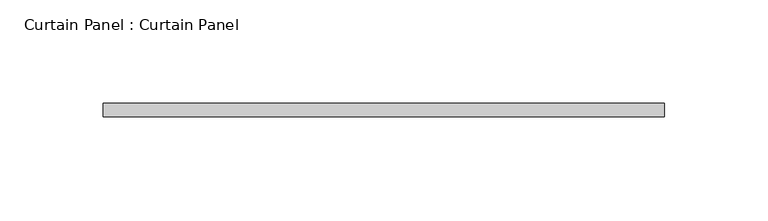
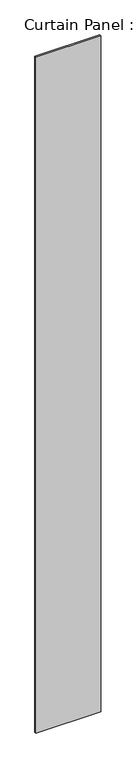
"""IFC4 building model written with IfcOpenShell, lengths in millimetres: plate geometry, Curtain Panel : Curtain Panel."""

from ifc_helpers import new_model, si_unit, origin, origin_with_axes, place, context, project, spatial, polyline, outline, extrude, source, transform, mapped, element, save


def curtain_panel_curtain_panel_fa095e2c(model_context):
    return source(origin(), model_context, "Body", "SweptSolid", [
        extrude(outline(polyline([(-153399.9147406, 8013.044614), (-153128.4522406, 8013.044614), (-153128.4522406, 8006.694614), (-153399.9147406, 8006.694614), (-153399.9147406, 8013.044614)])), origin_with_axes(), (0.0, 0.0, 1.0), 2990.85),
    ])


if __name__ == "__main__":
    model = new_model("IFC4")
    model_context = context("Model", 3, world=origin())
    ifc_project = project(units=[si_unit("LENGTHUNIT", "METRE", prefix="MILLI")], contexts=[model_context])
    site = spatial("IfcSite", under=ifc_project)
    building = spatial("IfcBuilding", under=site)
    placement = place(None, origin())
    curtain_panel_curtain_panel_shape = curtain_panel_curtain_panel_fa095e2c(model_context)
    element("IfcPlate", 1, ObjectType="Curtain Panel : Curtain Panel", at=placement, inside=building, context=model_context, shape_type="MappedRepresentation", body=[
        mapped(curtain_panel_curtain_panel_shape, transform((0.0, 0.0, 0.0), x_axis=(1.0, 0.0, 0.0), y_axis=(0.0, 1.0, 0.0), z_axis=(0.0, 0.0, 1.0))),
    ])
    save(model, "model.ifc")
